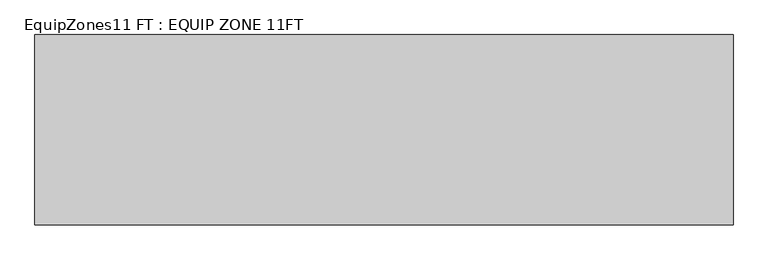
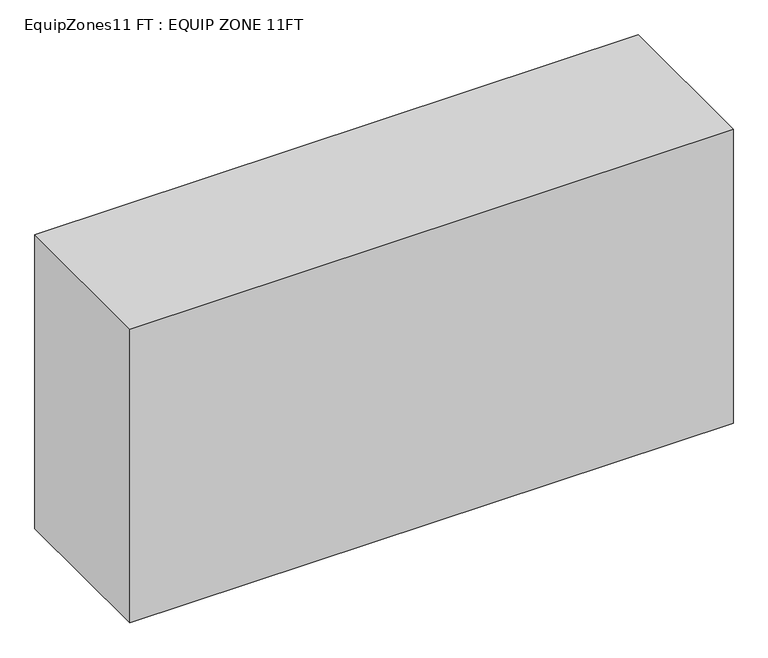
"""IFC4 building model written with IfcOpenShell, lengths in millimetres: proxy geometry, EquipZones11 FT : EQUIP ZONE 11FT."""

from ifc_helpers import new_model, si_unit, origin, origin_with_axes, place, context, project, spatial, polyline, outline, extrude, source, transform, mapped, element, save


def equipzones11_ft_equip_zone_11ft_f2f54cf9(model_context):
    return source(origin(), model_context, "Body", "SweptSolid", [
        extrude(outline(polyline([(711.2, 914.4), (711.2, 0.0), (-2641.6, 0.0), (-2641.6, 914.4), (711.2, 914.4)])), origin_with_axes(), (0.0, 0.0, 1.0), 1727.2),
    ])


if __name__ == "__main__":
    model = new_model("IFC4")
    model_context = context("Model", 3, world=origin())
    ifc_project = project(units=[si_unit("LENGTHUNIT", "METRE", prefix="MILLI")], contexts=[model_context])
    site = spatial("IfcSite", under=ifc_project)
    building = spatial("IfcBuilding", under=site)
    placement = place(None, origin())
    equipzones11_ft_equip_zone_11ft_shape = equipzones11_ft_equip_zone_11ft_f2f54cf9(model_context)
    element("IfcBuildingElementProxy", 1, Name="EquipZones11 FT : EQUIP ZONE 11FT", ObjectType="EquipZones11 FT : EQUIP ZONE 11FT", at=placement, inside=building, context=model_context, shape_type="MappedRepresentation", body=[
        mapped(equipzones11_ft_equip_zone_11ft_shape, transform((0.0, 0.0, 0.0), x_axis=(1.0, 0.0, 0.0), y_axis=(0.0, 1.0, 0.0), z_axis=(0.0, 0.0, 1.0))),
    ])
    save(model, "model.ifc")
